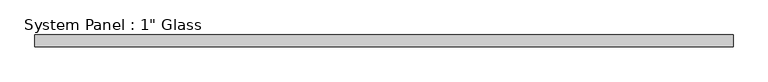
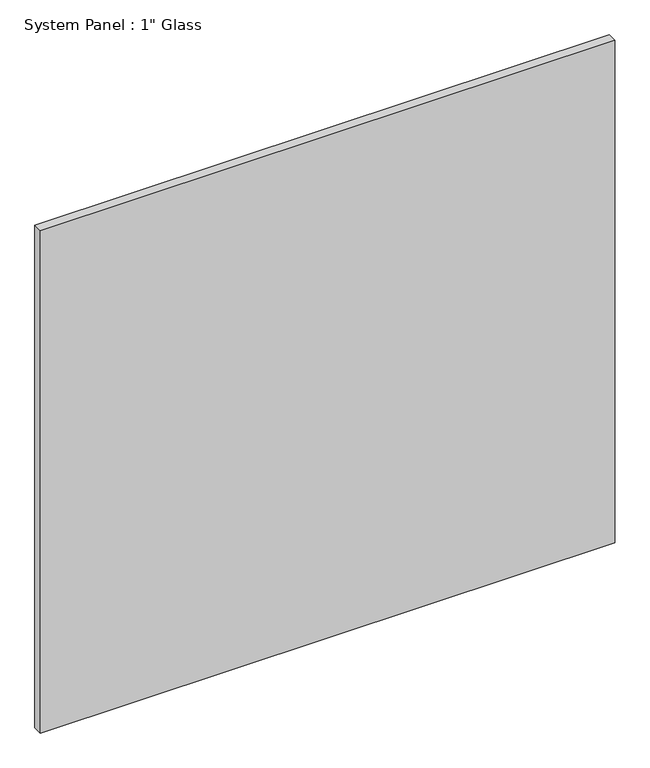
"""IFC4 building model written with IfcOpenShell, lengths in millimetres: plate geometry."""

import ifcopenshell
import ifcopenshell.guid

model = None  # the IFC model being written
_history = None  # IfcOwnerHistory: only IFC2X3 demands one
_inside = {}  # id of a spatial element -> (the spatial element, [elements in it])
_under = {}  # id of a project, library or spatial element -> (it, [spatial elements below it])
_declared = {}  # id of a project -> (the project, [libraries it declares])
_typed = {}  # id of a type object -> (the type object, [elements of that type])
_made_of = {}  # id of a material, layer set ... -> (it, [elements and type objects made of it])


def new_model(schema):
    """Start an empty IFC model of exactly this schema.

    Asked for "IFC4X3", IfcOpenShell would pick the latest addendum, in which some entities
    have other attributes; the version numbers below select the first issue.
    IFC2X3 requires an IfcOwnerHistory on every rooted entity: one is made here for all.
    """
    global model, _history
    if schema == "IFC4X3":
        model = ifcopenshell.file(schema_version=(4, 3, 0, 0))
    else:
        model = ifcopenshell.file(schema=schema)
    _inside.clear()
    _under.clear()
    _declared.clear()
    _typed.clear()
    _made_of.clear()
    _history = None
    if model.schema == "IFC2X3":
        org = make("IfcOrganization", Name="unknown")
        user = make(
            "IfcPersonAndOrganization",
            ThePerson=make("IfcPerson", FamilyName="unknown"),
            TheOrganization=org,
        )
        app = make(
            "IfcApplication",
            ApplicationDeveloper=org,
            Version="unknown",
            ApplicationFullName="unknown",
            ApplicationIdentifier="unknown",
        )
        _history = make(
            "IfcOwnerHistory",
            OwningUser=user,
            OwningApplication=app,
            ChangeAction="ADDED",
            CreationDate=0,
        )
    return model


def make(cls, **values):
    """One entity of the class cls with the attributes given. An attribute that is None is left unset."""
    return model.create_entity(
        cls, **{name: value for name, value in values.items() if value is not None}
    )


def rooted(cls, **values):
    """An entity with a GlobalId (a new one), such as an element, a storey or a relation."""
    return make(cls, GlobalId=ifcopenshell.guid.new(), OwnerHistory=_history, **values)


def si_unit(unit_type, name, prefix=None):
    """IfcSIUnit, for example si_unit("LENGTHUNIT", "METRE", prefix="MILLI")."""
    return make("IfcSIUnit", UnitType=unit_type, Prefix=prefix, Name=name)


def assignment(units):
    """IfcUnitAssignment: the units of a project."""
    return None if units is None else make("IfcUnitAssignment", Units=units)


def point(xyz):
    """IfcCartesianPoint."""
    return None if xyz is None else make("IfcCartesianPoint", Coordinates=xyz)


def direction(xyz):
    """IfcDirection."""
    return None if xyz is None else make("IfcDirection", DirectionRatios=xyz)


def frame(location, z_axis=None, x_axis=None):
    """IfcAxis2Placement3D, a coordinate frame: its origin and axes. An axis left out is left unset."""
    return make(
        "IfcAxis2Placement3D",
        Location=point(location),
        Axis=direction(z_axis),
        RefDirection=direction(x_axis),
    )


def origin():
    """The frame at (0, 0, 0) with its axes left unset."""
    return frame((0.0, 0.0, 0.0))


def origin_with_axes():
    """The frame at (0, 0, 0) with the z axis (0, 0, 1) and the x axis (1, 0, 0) written out."""
    return frame((0.0, 0.0, 0.0), z_axis=(0.0, 0.0, 1.0), x_axis=(1.0, 0.0, 0.0))


def place(relative_to, where):
    """IfcLocalPlacement: puts the frame where relative to a parent placement (None: the world)."""
    return make(
        "IfcLocalPlacement", PlacementRelTo=relative_to, RelativePlacement=where
    )


def context(
    kind, dimensions, precision=None, world=None, true_north=None, identifier=None
):
    """IfcGeometricRepresentationContext, for example the 3D "Model" context."""
    return make(
        "IfcGeometricRepresentationContext",
        ContextIdentifier=identifier,
        ContextType=kind,
        CoordinateSpaceDimension=dimensions,
        Precision=precision,
        WorldCoordinateSystem=world,
        TrueNorth=true_north,
    )


def project(units=None, contexts=None):
    """IfcProject with its units and contexts."""
    return rooted(
        "IfcProject",
        Name="project",
        RepresentationContexts=contexts,
        UnitsInContext=assignment(units),
    )


def spatial(cls, under=None, at=None, **own):
    """A site, building, storey or space (cls), placed at a placement, below another one or the project."""
    s = rooted(cls, ObjectPlacement=at, **own)
    if under is not None:
        _under.setdefault(under.id(), (under, []))[1].append(s)
    return s


def polyline(points):
    """IfcPolyline through the points."""
    return make("IfcPolyline", Points=[point(p) for p in points])


def outline(outer, holes=None, kind="AREA"):
    """IfcArbitraryClosedProfileDef: a profile drawn as a closed curve; with holes, ...WithVoids."""
    if holes is None:
        return make("IfcArbitraryClosedProfileDef", ProfileType=kind, OuterCurve=outer)
    return make(
        "IfcArbitraryProfileDefWithVoids",
        ProfileType=kind,
        OuterCurve=outer,
        InnerCurves=holes,
    )


def extrude(swept, where, along, depth):
    """IfcExtrudedAreaSolid: the profile swept, set in the frame where, extruded along a direction by depth."""
    return make(
        "IfcExtrudedAreaSolid",
        SweptArea=swept,
        Position=where,
        ExtrudedDirection=direction(along),
        Depth=depth,
    )


def shape(context_of_items, identifier, shape_type, items):
    """IfcShapeRepresentation: the items that make up one representation, for example the "Body"."""
    return make(
        "IfcShapeRepresentation",
        ContextOfItems=context_of_items,
        RepresentationIdentifier=identifier,
        RepresentationType=shape_type,
        Items=items,
    )


def source(mapping_origin, context_of_items, identifier, shape_type, items):
    """IfcRepresentationMap: a shape defined once, which mapped items show again and again."""
    return make(
        "IfcRepresentationMap",
        MappingOrigin=mapping_origin,
        MappedRepresentation=shape(context_of_items, identifier, shape_type, items),
    )


def transform(
    local_origin,
    x_axis=None,
    y_axis=None,
    z_axis=None,
    scale=None,
    scale2=None,
    scale3=None,
    uniform=True,
):
    """IfcCartesianTransformationOperator3D, or its non-uniform kind. x_axis, y_axis, z_axis: its Axis1, 2, 3."""
    if uniform:
        return make(
            "IfcCartesianTransformationOperator3D",
            Axis1=direction(x_axis),
            Axis2=direction(y_axis),
            LocalOrigin=point(local_origin),
            Scale=scale,
            Axis3=direction(z_axis),
        )
    return make(
        "IfcCartesianTransformationOperator3DnonUniform",
        Axis1=direction(x_axis),
        Axis2=direction(y_axis),
        LocalOrigin=point(local_origin),
        Scale=scale,
        Axis3=direction(z_axis),
        Scale2=scale2,
        Scale3=scale3,
    )


def mapped(mapping_source, mapping_target):
    """IfcMappedItem: shows the shape of a source again, moved by a transform."""
    return make(
        "IfcMappedItem", MappingSource=mapping_source, MappingTarget=mapping_target
    )


def made_of(thing, what):
    """Note that an element or type object is made of a material, layer set ...; save() writes the relation."""
    if what is not None:
        _made_of.setdefault(what.id(), (what, []))[1].append(thing)
    return thing


def element(
    cls,
    number,
    at=None,
    inside=None,
    cuts=None,
    type_object=None,
    material=None,
    context=None,
    identifier="Body",
    shape_type=None,
    held_by="IfcProductDefinitionShape",
    body=None,
    shapes=None,
    **own,
):
    """One element of the class cls, such as IfcWall. Its Tag is "e" and its number.

    at: its placement. inside: the storey or other place that contains it. cuts: it is an
    opening in that element (IfcRelVoidsElement). A single representation is given by context,
    identifier, shape_type and body (its items); several are given by shapes. held_by: the class
    of the entity that holds the representations. save() writes the other relations.
    """
    e = rooted(cls, Tag="e%d" % number, ObjectPlacement=at, **own)
    if body is not None:
        shapes = [shape(context, identifier, shape_type, body)]
    if shapes is not None:
        e.Representation = make(held_by, Representations=shapes)
    if inside is not None:
        _inside.setdefault(inside.id(), (inside, []))[1].append(e)
    if cuts is not None:
        rooted(
            "IfcRelVoidsElement", RelatingBuildingElement=cuts, RelatedOpeningElement=e
        )
    if type_object is not None:
        _typed.setdefault(type_object.id(), (type_object, []))[1].append(e)
    return made_of(e, material)


def aggregate(whole, parts):
    """IfcRelAggregates: a whole, such as a stair, and the parts it consists of."""
    return rooted("IfcRelAggregates", RelatingObject=whole, RelatedObjects=parts)


def save(model, path):
    """Write the relations noted so far, then the file.

    IfcRelAggregates (storeys below a building ...), IfcRelContainedInSpatialStructure (elements
    in a storey), IfcRelDefinesByType, IfcRelAssociatesMaterial and IfcRelDeclares: one each for
    every whole, place, type object, material and project.
    """
    for whole, parts in _under.values():
        aggregate(whole, parts)
    for where, things in _inside.values():
        rooted(
            "IfcRelContainedInSpatialStructure",
            RelatedElements=things,
            RelatingStructure=where,
        )
    for kind, things in _typed.values():
        rooted("IfcRelDefinesByType", RelatedObjects=things, RelatingType=kind)
    for what, things in _made_of.values():
        rooted("IfcRelAssociatesMaterial", RelatedObjects=things, RelatingMaterial=what)
    for by, libraries in _declared.values():
        rooted("IfcRelDeclares", RelatingContext=by, RelatedDefinitions=libraries)
    model.write(path)


def plate_4a39554b(model_context):
    return source(origin(), model_context, "Body", "SweptSolid", [
        extrude(outline(polyline([(755.65, -12.7), (-755.65, -12.7), (-755.65, 12.7), (755.65, 12.7), (755.65, -12.7)])), origin_with_axes(), (0.0, 0.0, 1.0), 1397.5261731),
    ])


if __name__ == "__main__":
    model = new_model("IFC4")
    model_context = context("Model", 3, world=origin())
    ifc_project = project(units=[si_unit("LENGTHUNIT", "METRE", prefix="MILLI")], contexts=[model_context])
    site = spatial("IfcSite", under=ifc_project)
    building = spatial("IfcBuilding", under=site)
    placement = place(None, origin())
    plate_shape = plate_4a39554b(model_context)
    element("IfcPlate", 1, ObjectType="System Panel : 1\" Glass", at=placement, inside=building, context=model_context, shape_type="MappedRepresentation", body=[
        mapped(plate_shape, transform((0.0, 0.0, 0.0), x_axis=(1.0, 0.0, 0.0), y_axis=(0.0, 1.0, 0.0), z_axis=(0.0, 0.0, 1.0))),
    ])
    save(model, "model.ifc")
